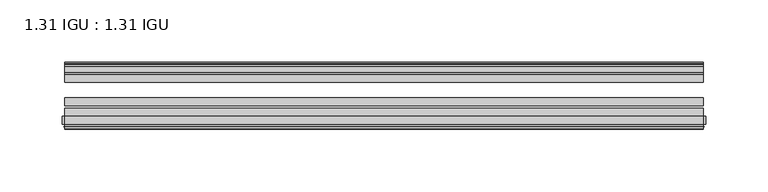
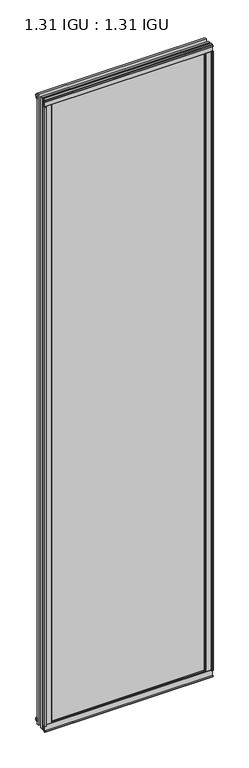
"""IFC4 building model written with IfcOpenShell, lengths in millimetres: plate geometry, 1.31 IGU : 1.31 IGU."""

from ifc_helpers import new_model, si_unit, point, frame, frame_2d, origin, origin_with_axes, place, context, project, spatial, polyline, circle_curve, trimmed, segment, composite_curve, outline, extrude, source, transform, mapped, element, save


def plate_1_31_igu_1_31_igu_1e6d818c(model_context):
    return source(origin(), model_context, "Body", "SweptSolid", [
        extrude(outline(polyline([(243.1587512, -11.1943457), (241.7567178, -11.5700195), (241.5266277, -10.7113114), (243.9396277, -10.06475), (246.3526277, -10.7113114), (246.1225376, -11.5700195), (244.7205042, -11.1943457), (245.3366277, -13.49375), (249.0152018, -13.49375), (249.0152018, -18.1284104), (247.5865571, -19.84375), (235.8738865, -19.84375), (237.5896277, -13.49375), (242.5426277, -13.49375), (243.1587512, -11.1943457)])), origin_with_axes(), (0.0, 0.0, 1.0), 1993.9),
        extrude(outline(polyline([(-243.1587512, -11.1943457), (-242.5426277, -13.49375), (-237.5896277, -13.49375), (-235.8738865, -19.84375), (-247.5865571, -19.84375), (-249.0152018, -18.1284104), (-249.0152018, -13.49375), (-245.3366277, -13.49375), (-244.7205042, -11.1943457), (-246.1225376, -11.5700195), (-246.3526277, -10.7113114), (-243.9396277, -10.06475), (-241.5266277, -10.7113114), (-241.7567178, -11.5700195), (-243.1587512, -11.1943457)])), origin_with_axes(), (0.0, 0.0, 1.0), 1993.9),
        extrude(outline(polyline([(-13.49375, -5.7276998), (-11.1943457, -6.3438233), (-11.5700195, -4.9417899), (-10.7113114, -4.7116998), (-10.06475, -7.1246998), (-10.7113114, -9.5376998), (-11.5700195, -9.3076097), (-11.1943457, -7.9055763), (-13.49375, -8.5216998), (-13.49375, -12.2002739), (-18.1284104, -12.2002739), (-19.84375, -10.7716292), (-19.84375, 0.9410414), (-13.49375, -0.7746998), (-13.49375, -5.7276998)])), frame((-255.8522277, 0.0, 0.0), z_axis=(1.0, 0.0, 0.0), x_axis=(0.0, 1.0, 0.0)), (0.0, 0.0, 1.0), 511.7044554),
        extrude(outline(composite_curve([segment(polyline([(-55.9719113, 2.457708), (-53.16855, 3.0868452), (-53.16855, -20.9097918), (-59.51855, -20.9097918), (-59.51855, -18.6868471), (-62.0391488, -18.0752025), (-61.5965021, -19.0933159), (-61.5965021, -19.98942), (-63.2729251, -17.4063265), (-61.3290281, -15.2058028), (-61.3290281, -16.0360741), (-61.9417436, -16.9618553), (-59.51855, -16.8077164), (-59.51855, 0.6826418)]), True, "CONTINUOUS"), segment(trimmed(circle_curve(frame_2d((-58.24855, 0.6826418)), 1.27), [point((-59.51855, 0.6826418))], [point((-58.6007815, 1.9028193))], False, "CARTESIAN"), True, "CONTINUOUS"), segment(polyline([(-58.6007815, 1.9028193), (-55.9719113, 2.457708)]), True, "CONTINUOUS")], self_intersect=False)), frame((-255.8522277, 0.0, 0.0), z_axis=(1.0, 0.0, 0.0), x_axis=(0.0, 1.0, 0.0)), (0.0, 0.0, 1.0), 511.7044554),
        extrude(outline(polyline([(-13.49375, 1999.6276998), (-13.49375, 1994.6746998), (-19.84375, 1992.9589586), (-19.84375, 2004.6716292), (-18.1284104, 2006.1002739), (-13.49375, 2006.1002739), (-13.49375, 2002.4216998), (-11.1943457, 2001.8055763), (-11.5700195, 2003.2076097), (-10.7113114, 2003.4376998), (-10.06475, 2001.0246998), (-10.7113114, 1998.6116998), (-11.5700195, 1998.8417899), (-11.1943457, 2000.2438233), (-13.49375, 1999.6276998)])), frame((-255.8522277, 0.0, 0.0), z_axis=(1.0, 0.0, 0.0), x_axis=(0.0, 1.0, 0.0)), (0.0, 0.0, 1.0), 511.7044554),
        extrude(outline(composite_curve([segment(polyline([(-55.9719113, 1991.442292), (-58.6007815, 1991.9971807)]), True, "CONTINUOUS"), segment(trimmed(circle_curve(frame_2d((-58.24855, 1993.2173582)), 1.27), [point((-58.6007815, 1991.9971807))], [point((-59.51855, 1993.2173582))], False, "CARTESIAN"), True, "CONTINUOUS"), segment(polyline([(-59.51855, 1993.2173582), (-59.51855, 2010.7077164), (-61.9417436, 2010.8618553), (-61.3290281, 2009.9360741), (-61.3290281, 2009.1058028), (-63.2729251, 2011.3063265), (-61.5965021, 2013.88942), (-61.5965021, 2012.9933159), (-62.0391488, 2011.9752025), (-59.51855, 2012.5868471), (-59.51855, 2014.8097918), (-53.16855, 2014.8097918), (-53.16855, 1990.8131548), (-55.9719113, 1991.442292)]), True, "CONTINUOUS")], self_intersect=False)), frame((-255.8522277, 0.0, 0.0), z_axis=(1.0, 0.0, 0.0), x_axis=(0.0, 1.0, 0.0)), (0.0, 0.0, 1.0), 511.7044554),
        extrude(outline(composite_curve([segment(polyline([(-254.2212544, -63.2729251), (-256.8043479, -61.5965021), (-255.9082437, -61.5965021), (-254.8901304, -62.0391488), (-255.501775, -59.51855), (-257.7247197, -59.51855), (-257.7247197, -53.16855), (-233.7280827, -53.16855), (-234.3572199, -55.9719113), (-234.9121086, -58.6007815)]), True, "CONTINUOUS"), segment(trimmed(circle_curve(frame_2d((-236.1322861, -58.24855)), 1.27), [point((-234.9121086, -58.6007815))], [point((-236.1322861, -59.51855))], False, "CARTESIAN"), True, "CONTINUOUS"), segment(polyline([(-236.1322861, -59.51855), (-253.6226443, -59.51855), (-253.7767832, -61.9417436), (-252.851002, -61.3290281), (-252.039474, -61.3290281), (-254.2212544, -63.2729251)]), True, "CONTINUOUS")], self_intersect=False)), origin_with_axes(), (0.0, 0.0, 1.0), 1993.9),
        extrude(outline(composite_curve([segment(polyline([(254.2212544, -63.2729251), (252.039474, -61.3290281), (252.851002, -61.3290281), (253.7767832, -61.9417436), (253.6226443, -59.51855), (236.1322861, -59.51855)]), True, "CONTINUOUS"), segment(trimmed(circle_curve(frame_2d((236.1322861, -58.24855)), 1.27), [point((236.1322861, -59.51855))], [point((234.9121086, -58.6007815))], False, "CARTESIAN"), True, "CONTINUOUS"), segment(polyline([(234.9121086, -58.6007815), (234.3572199, -55.9719113), (233.7280827, -53.16855), (257.7247197, -53.16855), (257.7247197, -59.51855), (255.501775, -59.51855), (254.8901304, -62.0391488), (255.9082437, -61.5965021), (256.8043479, -61.5965021), (254.2212544, -63.2729251)]), True, "CONTINUOUS")], self_intersect=False)), origin_with_axes(), (0.0, 0.0, 1.0), 1993.9),
        extrude(outline(polyline([(255.8522277, -19.84375), (255.8522277, -26.14295), (-255.8522277, -26.14295), (-255.8522277, -19.84375), (255.8522277, -19.84375)])), frame((0.0, 0.0, -19.05), z_axis=(0.0, 0.0, 1.0), x_axis=(1.0, 0.0, 0.0)), (0.0, 0.0, 1.0), 2032.0),
        extrude(outline(polyline([(-255.8522277, -44.83735), (-255.8522277, -38.53815), (255.8522277, -38.53815), (255.8522277, -44.83735), (-255.8522277, -44.83735)])), frame((0.0, 0.0, -19.05), z_axis=(0.0, 0.0, 1.0), x_axis=(1.0, 0.0, 0.0)), (0.0, 0.0, 1.0), 2032.0),
        extrude(outline(polyline([(-255.8522277, -53.16855), (-255.8522277, -46.86935), (255.8522277, -46.86935), (255.8522277, -53.16855), (-255.8522277, -53.16855)])), frame((0.0, 0.0, -19.05), z_axis=(0.0, 0.0, 1.0), x_axis=(1.0, 0.0, 0.0)), (0.0, 0.0, 1.0), 2032.0),
    ])


if __name__ == "__main__":
    model = new_model("IFC4")
    model_context = context("Model", 3, world=origin())
    ifc_project = project(units=[si_unit("LENGTHUNIT", "METRE", prefix="MILLI")], contexts=[model_context])
    site = spatial("IfcSite", under=ifc_project)
    building = spatial("IfcBuilding", under=site)
    placement = place(None, origin())
    plate_1_31_igu_1_31_igu_shape = plate_1_31_igu_1_31_igu_1e6d818c(model_context)
    element("IfcPlate", 1, ObjectType="1.31 IGU : 1.31 IGU", at=placement, inside=building, context=model_context, shape_type="MappedRepresentation", body=[
        mapped(plate_1_31_igu_1_31_igu_shape, transform((0.0, 0.0, 0.0), x_axis=(1.0, 0.0, 0.0), y_axis=(0.0, 1.0, 0.0), z_axis=(0.0, 0.0, 1.0))),
    ])
    save(model, "model.ifc")
